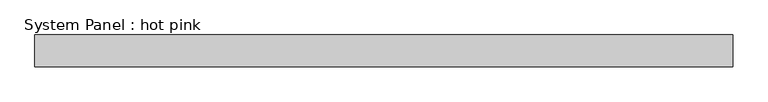
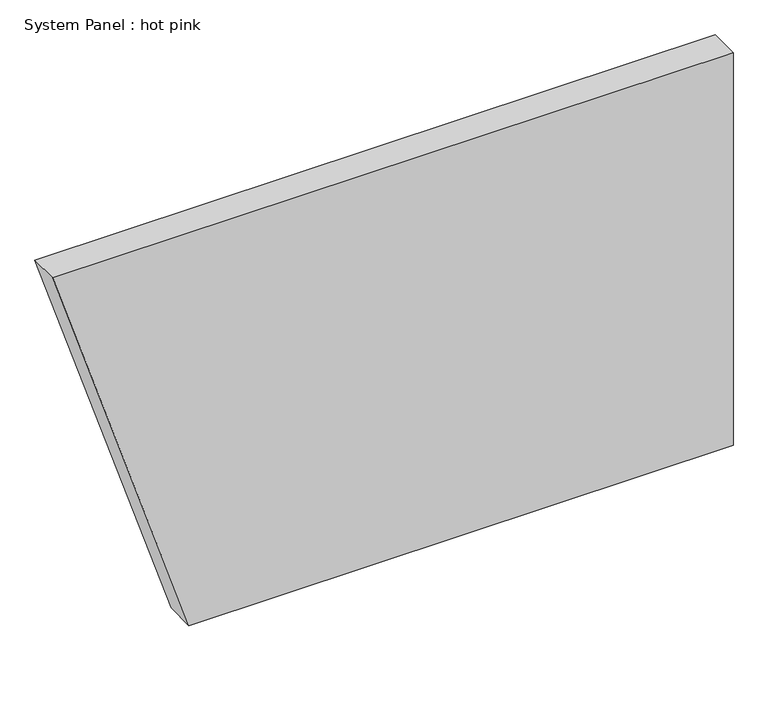
"""IFC4 building model written with IfcOpenShell, lengths in millimetres: plate geometry, System Panel : hot pink."""

from ifc_helpers import new_model, si_unit, frame, origin, place, context, project, spatial, polyline, outline, extrude, source, transform, mapped, element, save


def system_panel_hot_pink_1384d9af(model_context):
    return source(origin(), model_context, "Body", "SweptSolid", [
        extrude(outline(polyline([(0.0, -418.1267854), (0.0, 697.0999704), (850.9, 697.0999704), (850.9, -697.0999704), (0.0, -418.1267854)])), frame((0.0, -44.45, 0.0), z_axis=(0.0, 1.0, 0.0), x_axis=(0.0, 0.0, 1.0)), (0.0, 0.0, 1.0), 63.5),
    ])


if __name__ == "__main__":
    model = new_model("IFC4")
    model_context = context("Model", 3, world=origin())
    ifc_project = project(units=[si_unit("LENGTHUNIT", "METRE", prefix="MILLI")], contexts=[model_context])
    site = spatial("IfcSite", under=ifc_project)
    building = spatial("IfcBuilding", under=site)
    placement = place(None, origin())
    system_panel_hot_pink_shape = system_panel_hot_pink_1384d9af(model_context)
    element("IfcPlate", 1, ObjectType="System Panel : hot pink", at=placement, inside=building, context=model_context, shape_type="MappedRepresentation", body=[
        mapped(system_panel_hot_pink_shape, transform((0.0, 0.0, 0.0), x_axis=(1.0, 0.0, 0.0), y_axis=(0.0, 1.0, 0.0), z_axis=(0.0, 0.0, 1.0))),
    ])
    save(model, "model.ifc")
